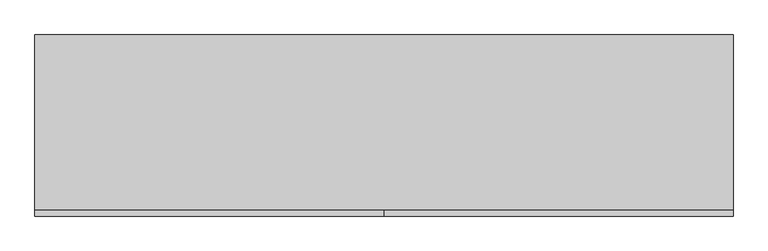
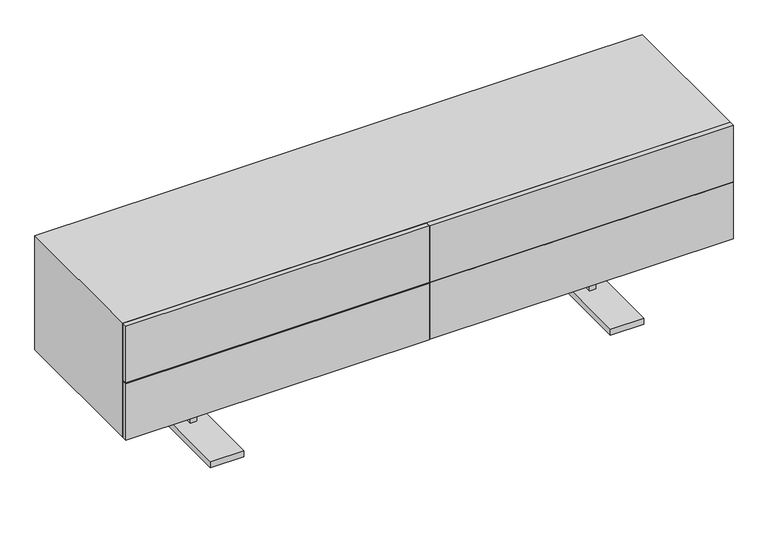
"""IFC4 building model written with IfcOpenShell, lengths in millimetres: furniture geometry."""

from ifc_helpers import new_model, si_unit, frame, origin, place, context, project, spatial, polyline, outline, extrude, faceted_brep, source, transform, mapped, element, save


def furniture_1b644215(model_context):
    return source(origin(), model_context, "Body", "SolidModel", [
        faceted_brep([(-600.0112619, -54.3141225, 184.15), (-580.9612619, -54.3141225, 184.15), (-580.9612619, -13.8140652, 184.15), (580.3064181, -13.8140652, 184.15), (580.3064181, -54.3141225, 184.15), (599.3564181, -54.3141225, 184.15), (599.3564181, 43.6910418, 184.15), (580.3064181, 43.6910418, 184.15), (580.3064181, 5.4884, 184.15), (-580.9612619, 5.4884, 184.15), (-580.9612619, 43.6910418, 184.15), (-600.0112619, 43.6910418, 184.15), (-600.0112619, -54.3141225, 19.8859728), (-580.9612619, -54.3141225, 19.8859728), (-580.9612619, -13.8140652, 19.8859728), (-542.5112106, -13.8140652, 133.35), (541.8563668, -13.8140652, 133.35), (541.8563668, -13.8140652, 19.8859728), (580.3064181, -13.8140652, 19.8859728), (-542.5112106, -13.8140652, 19.8859728), (-542.5112106, 5.4884, 133.35), (-542.5112106, -228.6040836, 19.8859728), (-542.5112106, -228.6040836, 0.0), (-542.5112106, 219.9758393, 0.0), (-542.5112106, 219.9758393, 19.8859728), (-542.5112106, 5.4884, 19.8859728), (541.8563668, 5.4884, 133.35), (-580.9612619, 5.4884, 19.8859728), (580.3064181, 5.4884, 19.8859728), (541.8563668, 5.4884, 19.8859728), (-580.9612619, 43.6910418, 19.8859728), (-600.0112619, 43.6910418, 19.8859728), (580.3064181, -54.3141225, 19.8859728), (599.3564181, -54.3141225, 19.8859728), (541.8563668, 219.9758393, 19.8859728), (541.8563668, 219.9758393, 0.0), (541.8563668, -228.6040836, 0.0), (541.8563668, -228.6040836, 19.8859728), (580.3064181, 43.6910418, 19.8859728), (599.3564181, 43.6910418, 19.8859728), (-641.5112724, 219.9758393, 19.8859728), (-641.5112724, -228.6040836, 19.8859728), (-641.5112724, -228.6040836, 0.0), (-641.5112724, 219.9758393, 0.0), (640.8564286, -228.6040836, 19.8859728), (640.8564286, 219.9758393, 19.8859728), (640.8564286, 219.9758393, 0.0), (640.8564286, -228.6040836, 0.0)], [[[0, 1, 2, 3, 4, 5, 6, 7, 8, 9, 10, 11]], [[1, 0, 12, 13]], [[2, 1, 13, 14]], [[15, 16, 17, 18, 3, 2, 14, 19]], [[20, 15, 19, 21, 22, 23, 24, 25]], [[26, 20, 25, 27, 9, 8, 28, 29]], [[10, 9, 27, 30]], [[11, 10, 30, 31]], [[0, 11, 31, 12]], [[20, 26, 16, 15]], [[5, 4, 32, 33]], [[4, 3, 18, 32]], [[26, 29, 34, 35, 36, 37, 17, 16]], [[8, 7, 38, 28]], [[7, 6, 39, 38]], [[6, 5, 33, 39]], [[24, 40, 41, 21, 19, 14, 13, 12, 31, 30, 27, 25]], [[23, 22, 42, 43]], [[40, 24, 23, 43]], [[41, 40, 43, 42]], [[21, 41, 42, 22]], [[37, 44, 45, 34, 29, 28, 38, 39, 33, 32, 18, 17]], [[35, 46, 47, 36]], [[34, 45, 46, 35]], [[45, 44, 47, 46]], [[44, 37, 36, 47]]]),
        extrude(outline(polyline([(-1.016, -225.425), (-1.016, -240.42624), (-897.89, -240.42624), (-897.89, -225.425), (-1.016, -225.425)])), frame((0.0, 0.0, 362.966), z_axis=(0.0, 0.0, 1.0), x_axis=(1.0, 0.0, 0.0)), (0.0, 0.0, 1.0), 176.784),
        extrude(outline(polyline([(-1.016, -225.425), (-1.016, -240.42624), (-897.89, -240.42624), (-897.89, -225.425), (-1.016, -225.425)])), frame((0.0, 0.0, 184.15), z_axis=(0.0, 0.0, 1.0), x_axis=(1.0, 0.0, 0.0)), (0.0, 0.0, 1.0), 176.784),
        extrude(outline(polyline([(897.89, -225.425), (897.89, -240.42624), (1.016, -240.42624), (1.016, -225.425), (897.89, -225.425)])), frame((0.0, 0.0, 362.966), z_axis=(0.0, 0.0, 1.0), x_axis=(1.0, 0.0, 0.0)), (0.0, 0.0, 1.0), 176.784),
        extrude(outline(polyline([(897.89, -225.425), (897.89, -240.42624), (1.016, -240.42624), (1.016, -225.425), (897.89, -225.425)])), frame((0.0, 0.0, 184.15), z_axis=(0.0, 0.0, 1.0), x_axis=(1.0, 0.0, 0.0)), (0.0, 0.0, 1.0), 176.784),
        extrude(outline(polyline([(897.89, 225.425), (897.89, -225.425), (-897.89, -225.425), (-897.89, 225.425), (897.89, 225.425)])), frame((0.0, 0.0, 184.15), z_axis=(0.0, 0.0, 1.0), x_axis=(1.0, 0.0, 0.0)), (0.0, 0.0, 1.0), 355.6),
    ])


if __name__ == "__main__":
    model = new_model("IFC4")
    model_context = context("Model", 3, world=origin())
    ifc_project = project(units=[si_unit("LENGTHUNIT", "METRE", prefix="MILLI")], contexts=[model_context])
    site = spatial("IfcSite", under=ifc_project)
    building = spatial("IfcBuilding", under=site)
    placement = place(None, origin())
    furniture_shape = furniture_1b644215(model_context)
    element("IfcFurniture", 1, at=placement, inside=building, context=model_context, shape_type="MappedRepresentation", body=[
        mapped(furniture_shape, transform((0.0, 0.0, 0.0), x_axis=(1.0, 0.0, 0.0), y_axis=(0.0, 1.0, 0.0), z_axis=(0.0, 0.0, 1.0))),
    ])
    save(model, "model.ifc")
